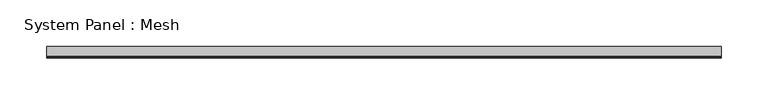
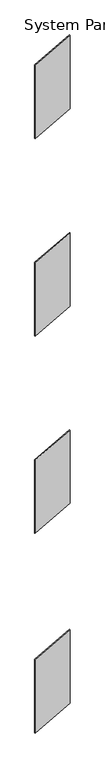
"""IFC4 building model written with IfcOpenShell, lengths in millimetres: plate geometry, System Panel : Mesh."""

from ifc_helpers import new_model, si_unit, frame, origin, place, context, project, spatial, polyline, outline, extrude, source, transform, mapped, element, save


def system_panel_mesh_9e19c4fb(model_context):
    return source(origin(), model_context, "Body", "SweptSolid", [
        extrude(outline(polyline([(0.0, -360.3366048), (402.3609731, 360.3366048), (2005.781542, 360.3366048), (1603.4205689, -360.3366048), (0.0, -360.3366048)])), frame((0.0, -5.0, 0.0), z_axis=(0.0, 1.0, 0.0), x_axis=(0.0, 0.0, 1.0)), (0.0, 0.0, 1.0), 10.0),
        extrude(outline(polyline([(4354.1706287, -360.3366048), (4754.0280224, 360.3366048), (6355.0833455, 360.3366048), (5955.2259518, -360.3366048), (4354.1706287, -360.3366048)])), frame((0.0, -5.0, 0.0), z_axis=(0.0, 1.0, 0.0), x_axis=(0.0, 0.0, 1.0)), (0.0, 0.0, 1.0), 10.0),
        extrude(outline(polyline([(8654.1706287, -360.3366048), (9054.0280224, 360.3366048), (10655.0833455, 360.3366048), (10255.2259518, -360.3366048), (8654.1706287, -360.3366048)])), frame((0.0, -5.0, 0.0), z_axis=(0.0, 1.0, 0.0), x_axis=(0.0, 0.0, 1.0)), (0.0, 0.0, 1.0), 10.0),
        extrude(outline(polyline([(12960.4284539, -360.3366048), (13361.2157485, 360.3366048), (14963.1482755, 360.3366048), (14562.3609809, -360.3366048), (12960.4284539, -360.3366048)])), frame((0.0, -5.0, 0.0), z_axis=(0.0, 1.0, 0.0), x_axis=(0.0, 0.0, 1.0)), (0.0, 0.0, 1.0), 10.0),
    ])


if __name__ == "__main__":
    model = new_model("IFC4")
    model_context = context("Model", 3, world=origin())
    ifc_project = project(units=[si_unit("LENGTHUNIT", "METRE", prefix="MILLI")], contexts=[model_context])
    site = spatial("IfcSite", under=ifc_project)
    building = spatial("IfcBuilding", under=site)
    placement = place(None, origin())
    system_panel_mesh_shape = system_panel_mesh_9e19c4fb(model_context)
    element("IfcPlate", 1, ObjectType="System Panel : Mesh", at=placement, inside=building, context=model_context, shape_type="MappedRepresentation", body=[
        mapped(system_panel_mesh_shape, transform((0.0, 0.0, 0.0), x_axis=(1.0, 0.0, 0.0), y_axis=(0.0, 1.0, 0.0), z_axis=(0.0, 0.0, 1.0))),
    ])
    save(model, "model.ifc")
